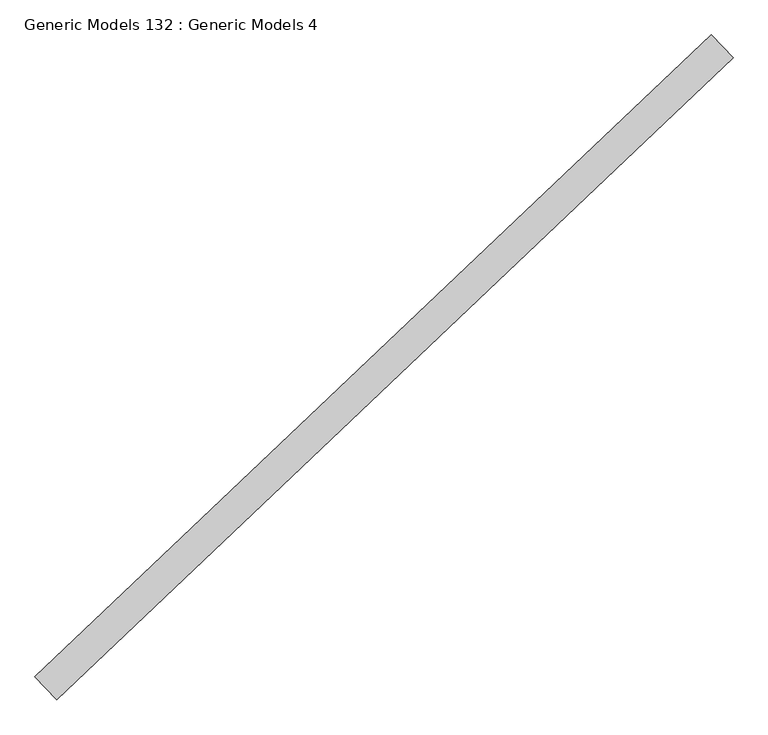
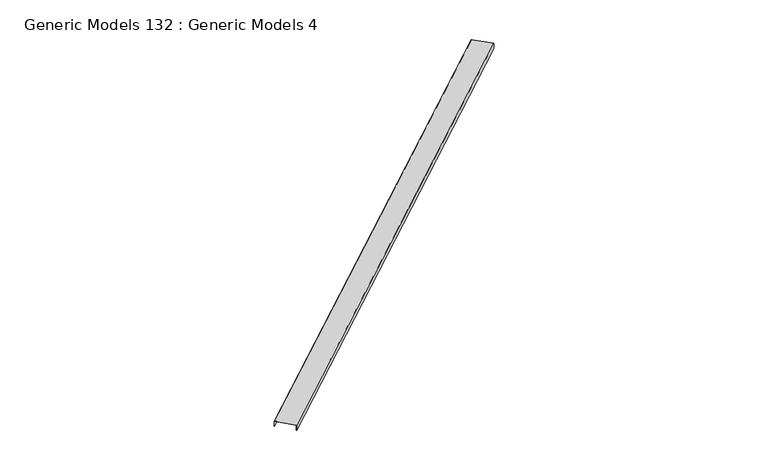
"""IFC4 building model written with IfcOpenShell, lengths in millimetres: proxy geometry, Generic Models 132 : Generic Models 4."""

from ifc_helpers import new_model, si_unit, frame, origin, place, context, project, spatial, polyline, outline, extrude, source, transform, mapped, element, save


def generic_models_132_generic_models_4_12595225(model_context):
    return source(origin(), model_context, "Body", "SweptSolid", [
        extrude(outline(polyline([(0.0, 0.0), (0.0, -152.3999999), (-41.275, -152.3999999), (-41.275, -150.8124999), (-1.5875, -150.8124999), (-1.5875, -1.5875), (-41.275, -1.5875), (-41.275, 0.0), (0.0, 0.0)])), frame((101948.9466768, 54995.7430115, 18534.6983985), z_axis=(0.725374371012385, 0.6883545756936514, 0.0), x_axis=(0.0, 0.0, 1.0)), (0.0, 0.0, 1.0), 4530.725),
    ])


if __name__ == "__main__":
    model = new_model("IFC4")
    model_context = context("Model", 3, world=origin())
    ifc_project = project(units=[si_unit("LENGTHUNIT", "METRE", prefix="MILLI")], contexts=[model_context])
    site = spatial("IfcSite", under=ifc_project)
    building = spatial("IfcBuilding", under=site)
    placement = place(None, origin())
    generic_models_132_generic_models_4_shape = generic_models_132_generic_models_4_12595225(model_context)
    element("IfcBuildingElementProxy", 1, Name="Generic Models 132 : Generic Models 4", ObjectType="Generic Models 132 : Generic Models 4", at=placement, inside=building, context=model_context, shape_type="MappedRepresentation", body=[
        mapped(generic_models_132_generic_models_4_shape, transform((0.0, 0.0, 0.0), x_axis=(1.0, 0.0, 0.0), y_axis=(0.0, 1.0, 0.0), z_axis=(0.0, 0.0, 1.0))),
    ])
    save(model, "model.ifc")
